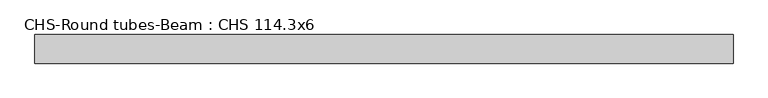
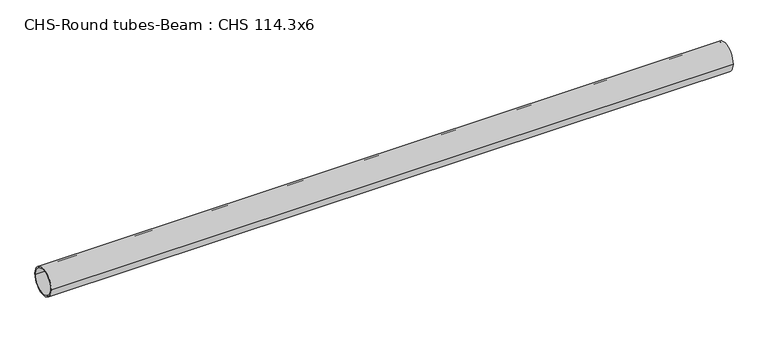
"""IFC4 building model written with IfcOpenShell, lengths in millimetres: beam geometry, CHS-Round tubes-Beam : CHS 114.3x6."""

from ifc_helpers import new_model, si_unit, point, frame, origin, origin_2d, place, context, project, spatial, circle_curve, trimmed, segment, composite_curve, outline, extrude, source, transform, mapped, element, save


def chs_round_tubes_beam_chs_114_3x6_83fda033(model_context):
    return source(origin(), model_context, "Body", "SweptSolid", [
        extrude(outline(composite_curve([segment(trimmed(circle_curve(origin_2d(), 57.15), [point((57.15, 0.0))], [point((-57.15, 0.0))], False, "CARTESIAN"), True, "CONTINUOUS"), segment(trimmed(circle_curve(origin_2d(), 57.15), [point((-57.15, 0.0))], [point((57.15, 0.0))], False, "CARTESIAN"), True, "CONTINUOUS")], self_intersect=False), holes=[composite_curve([segment(trimmed(circle_curve(origin_2d(), 51.15), [point((51.15, 0.0))], [point((-51.15, 0.0))], True, "CARTESIAN"), True, "CONTINUOUS"), segment(trimmed(circle_curve(origin_2d(), 51.15), [point((-51.15, 0.0))], [point((51.15, 0.0))], True, "CARTESIAN"), True, "CONTINUOUS")], self_intersect=False)]), frame((-1349.9919046, 0.0, 0.0), z_axis=(1.0, 0.0, 0.0), x_axis=(0.0, 1.0, 0.0)), (0.0, 0.0, 1.0), 2788.574073),
    ])


if __name__ == "__main__":
    model = new_model("IFC4")
    model_context = context("Model", 3, world=origin())
    ifc_project = project(units=[si_unit("LENGTHUNIT", "METRE", prefix="MILLI")], contexts=[model_context])
    site = spatial("IfcSite", under=ifc_project)
    building = spatial("IfcBuilding", under=site)
    placement = place(None, origin())
    chs_round_tubes_beam_chs_114_3x6_shape = chs_round_tubes_beam_chs_114_3x6_83fda033(model_context)
    element("IfcBeam", 1, ObjectType="CHS-Round tubes-Beam : CHS 114.3x6", at=placement, inside=building, context=model_context, shape_type="MappedRepresentation", body=[
        mapped(chs_round_tubes_beam_chs_114_3x6_shape, transform((0.0, 0.0, 0.0), x_axis=(1.0, 0.0, 0.0), y_axis=(0.0, 1.0, 0.0), z_axis=(0.0, 0.0, 1.0))),
    ])
    save(model, "model.ifc")
